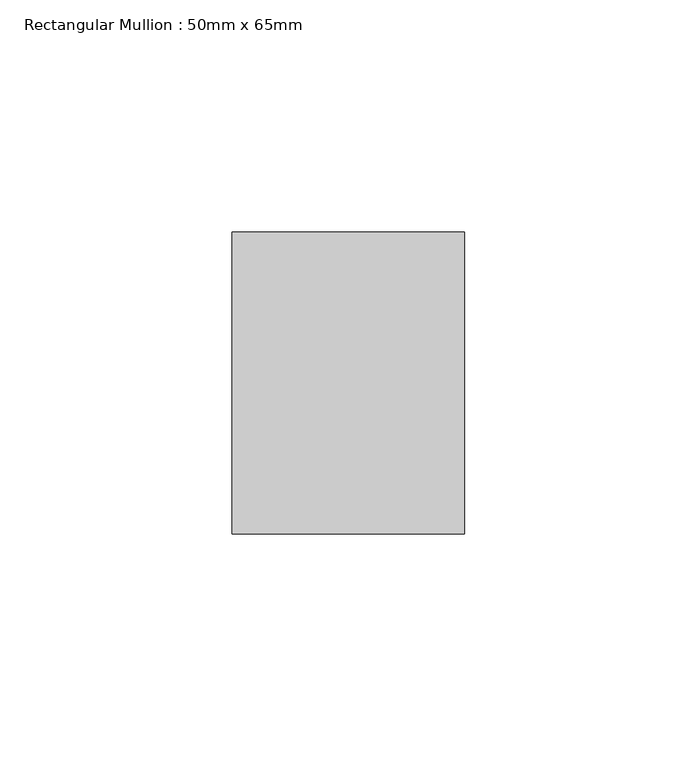
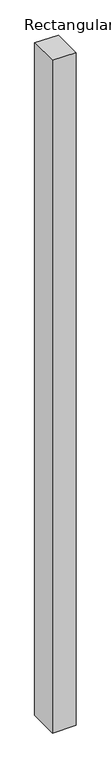
"""IFC4 building model written with IfcOpenShell, lengths in millimetres: member geometry, Rectangular Mullion : 50mm x 65mm."""

from ifc_helpers import new_model, si_unit, origin, place, context, project, spatial, faceted_brep, source, transform, mapped, element, save


def rectangular_mullion_50mm_x_65mm_51d45432(model_context):
    return source(origin(), model_context, "Body", "Brep", [
        faceted_brep([(-25.0, 32.5, -0.1835729), (25.0, 32.5, -0.1835723), (25.0, 32.5, -1499.7334042), (-25.0, 32.5, -1499.7334033), (-25.0, -32.5, 0.1835723), (-25.0, -32.5, -1500.2662997), (25.0, -32.5, 0.1835729), (25.0, -32.5, -1500.2663007)], [[[0, 1, 2, 3]], [[4, 0, 3, 5]], [[6, 4, 5, 7]], [[1, 6, 7, 2]], [[1, 0, 4, 6]], [[2, 7, 5, 3]]]),
    ])


if __name__ == "__main__":
    model = new_model("IFC4")
    model_context = context("Model", 3, world=origin())
    ifc_project = project(units=[si_unit("LENGTHUNIT", "METRE", prefix="MILLI")], contexts=[model_context])
    site = spatial("IfcSite", under=ifc_project)
    building = spatial("IfcBuilding", under=site)
    placement = place(None, origin())
    rectangular_mullion_50mm_x_65mm_shape = rectangular_mullion_50mm_x_65mm_51d45432(model_context)
    element("IfcMember", 1, ObjectType="Rectangular Mullion : 50mm x 65mm", at=placement, inside=building, context=model_context, shape_type="MappedRepresentation", body=[
        mapped(rectangular_mullion_50mm_x_65mm_shape, transform((0.0, 0.0, 0.0), x_axis=(1.0, 0.0, 0.0), y_axis=(0.0, 1.0, 0.0), z_axis=(0.0, 0.0, 1.0))),
    ])
    save(model, "model.ifc")
